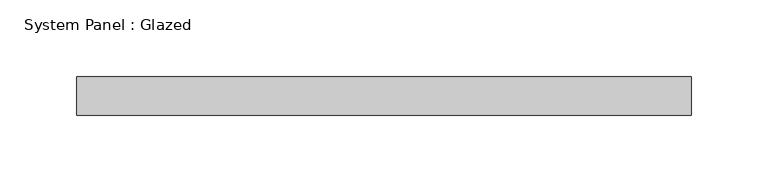
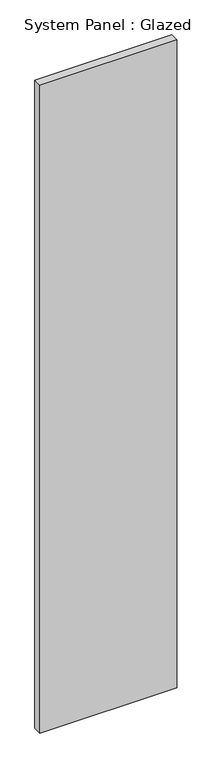
"""IFC4 building model written with IfcOpenShell, lengths in millimetres: plate geometry, System Panel : Glazed."""

from ifc_helpers import new_model, si_unit, origin, origin_with_axes, place, context, project, spatial, polyline, outline, extrude, source, transform, mapped, element, save


def system_panel_glazed_51f148e5(model_context):
    return source(origin(), model_context, "Body", "SweptSolid", [
        extrude(outline(polyline([(199.9999998, 24.5), (-199.9999998, 24.5), (-199.9999998, 49.5), (199.9999998, 49.5), (199.9999998, 24.5)])), origin_with_axes(), (0.0, 0.0, 1.0), 2000.0),
    ])


if __name__ == "__main__":
    model = new_model("IFC4")
    model_context = context("Model", 3, world=origin())
    ifc_project = project(units=[si_unit("LENGTHUNIT", "METRE", prefix="MILLI")], contexts=[model_context])
    site = spatial("IfcSite", under=ifc_project)
    building = spatial("IfcBuilding", under=site)
    placement = place(None, origin())
    system_panel_glazed_shape = system_panel_glazed_51f148e5(model_context)
    element("IfcPlate", 1, ObjectType="System Panel : Glazed", at=placement, inside=building, context=model_context, shape_type="MappedRepresentation", body=[
        mapped(system_panel_glazed_shape, transform((0.0, 0.0, 0.0), x_axis=(1.0, 0.0, 0.0), y_axis=(0.0, 1.0, 0.0), z_axis=(0.0, 0.0, 1.0))),
    ])
    save(model, "model.ifc")
